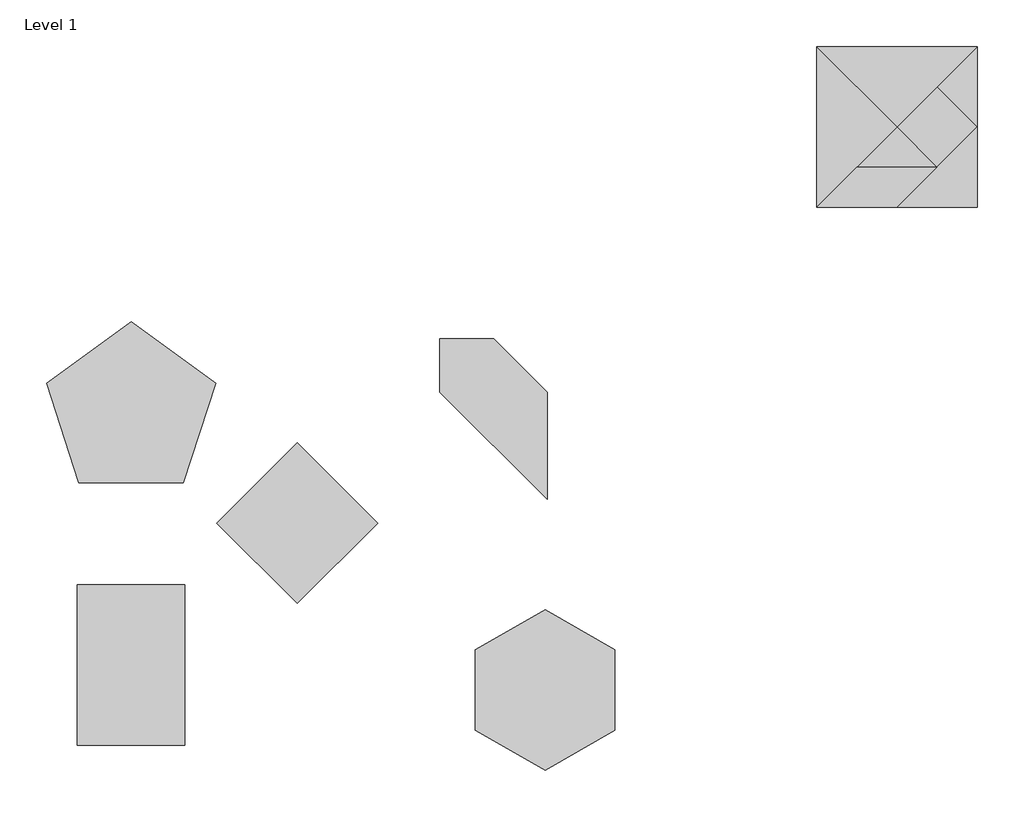
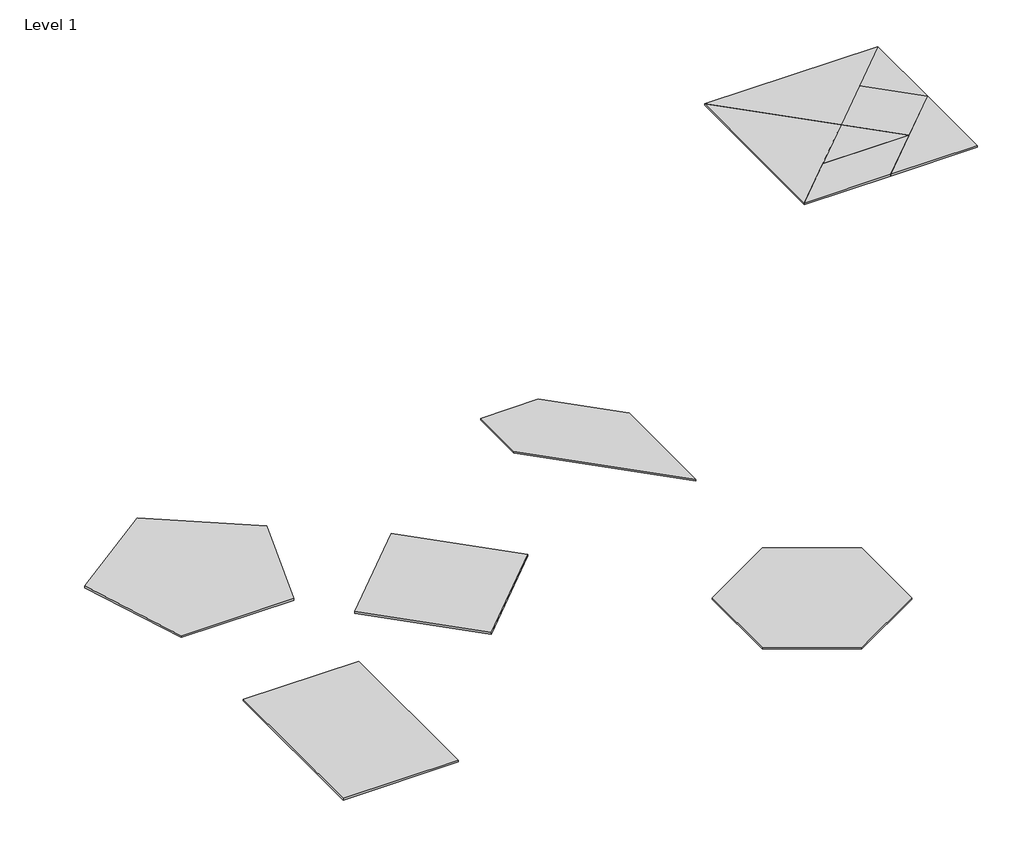
# One storey: 12 proxies.
"""IFC4 building model written with IfcOpenShell, lengths in millimetres."""

import ifcopenshell
import ifcopenshell.guid

model = None  # the IFC model being written
_history = None  # IfcOwnerHistory: only IFC2X3 demands one
_inside = {}  # id of a spatial element -> (the spatial element, [elements in it])
_under = {}  # id of a project, library or spatial element -> (it, [spatial elements below it])
_declared = {}  # id of a project -> (the project, [libraries it declares])
_typed = {}  # id of a type object -> (the type object, [elements of that type])
_made_of = {}  # id of a material, layer set ... -> (it, [elements and type objects made of it])


def new_model(schema):
    """Start an empty IFC model of exactly this schema.

    Asked for "IFC4X3", IfcOpenShell would pick the latest addendum, in which some entities
    have other attributes; the version numbers below select the first issue.
    IFC2X3 requires an IfcOwnerHistory on every rooted entity: one is made here for all.
    """
    global model, _history
    if schema == "IFC4X3":
        model = ifcopenshell.file(schema_version=(4, 3, 0, 0))
    else:
        model = ifcopenshell.file(schema=schema)
    _inside.clear()
    _under.clear()
    _declared.clear()
    _typed.clear()
    _made_of.clear()
    _history = None
    if model.schema == "IFC2X3":
        org = make("IfcOrganization", Name="unknown")
        user = make(
            "IfcPersonAndOrganization",
            ThePerson=make("IfcPerson", FamilyName="unknown"),
            TheOrganization=org,
        )
        app = make(
            "IfcApplication",
            ApplicationDeveloper=org,
            Version="unknown",
            ApplicationFullName="unknown",
            ApplicationIdentifier="unknown",
        )
        _history = make(
            "IfcOwnerHistory",
            OwningUser=user,
            OwningApplication=app,
            ChangeAction="ADDED",
            CreationDate=0,
        )
    return model


def make(cls, **values):
    """One entity of the class cls with the attributes given. An attribute that is None is left unset."""
    return model.create_entity(
        cls, **{name: value for name, value in values.items() if value is not None}
    )


def rooted(cls, **values):
    """An entity with a GlobalId (a new one), such as an element, a storey or a relation."""
    return make(cls, GlobalId=ifcopenshell.guid.new(), OwnerHistory=_history, **values)


def si_unit(unit_type, name, prefix=None):
    """IfcSIUnit, for example si_unit("LENGTHUNIT", "METRE", prefix="MILLI")."""
    return make("IfcSIUnit", UnitType=unit_type, Prefix=prefix, Name=name)


def assignment(units):
    """IfcUnitAssignment: the units of a project."""
    return None if units is None else make("IfcUnitAssignment", Units=units)


def point(xyz):
    """IfcCartesianPoint."""
    return None if xyz is None else make("IfcCartesianPoint", Coordinates=xyz)


def direction(xyz):
    """IfcDirection."""
    return None if xyz is None else make("IfcDirection", DirectionRatios=xyz)


def frame(location, z_axis=None, x_axis=None):
    """IfcAxis2Placement3D, a coordinate frame: its origin and axes. An axis left out is left unset."""
    return make(
        "IfcAxis2Placement3D",
        Location=point(location),
        Axis=direction(z_axis),
        RefDirection=direction(x_axis),
    )


def origin():
    """The frame at (0, 0, 0) with its axes left unset."""
    return frame((0.0, 0.0, 0.0))


def origin_with_axes():
    """The frame at (0, 0, 0) with the z axis (0, 0, 1) and the x axis (1, 0, 0) written out."""
    return frame((0.0, 0.0, 0.0), z_axis=(0.0, 0.0, 1.0), x_axis=(1.0, 0.0, 0.0))


def place(relative_to, where):
    """IfcLocalPlacement: puts the frame where relative to a parent placement (None: the world)."""
    return make(
        "IfcLocalPlacement", PlacementRelTo=relative_to, RelativePlacement=where
    )


def context(
    kind, dimensions, precision=None, world=None, true_north=None, identifier=None
):
    """IfcGeometricRepresentationContext, for example the 3D "Model" context."""
    return make(
        "IfcGeometricRepresentationContext",
        ContextIdentifier=identifier,
        ContextType=kind,
        CoordinateSpaceDimension=dimensions,
        Precision=precision,
        WorldCoordinateSystem=world,
        TrueNorth=true_north,
    )


def project(units=None, contexts=None):
    """IfcProject with its units and contexts."""
    return rooted(
        "IfcProject",
        Name="project",
        RepresentationContexts=contexts,
        UnitsInContext=assignment(units),
    )


def spatial(cls, under=None, at=None, **own):
    """A site, building, storey or space (cls), placed at a placement, below another one or the project."""
    s = rooted(cls, ObjectPlacement=at, **own)
    if under is not None:
        _under.setdefault(under.id(), (under, []))[1].append(s)
    return s


def polyline(points):
    """IfcPolyline through the points."""
    return make("IfcPolyline", Points=[point(p) for p in points])


def outline(outer, holes=None, kind="AREA"):
    """IfcArbitraryClosedProfileDef: a profile drawn as a closed curve; with holes, ...WithVoids."""
    if holes is None:
        return make("IfcArbitraryClosedProfileDef", ProfileType=kind, OuterCurve=outer)
    return make(
        "IfcArbitraryProfileDefWithVoids",
        ProfileType=kind,
        OuterCurve=outer,
        InnerCurves=holes,
    )


def extrude(swept, where, along, depth):
    """IfcExtrudedAreaSolid: the profile swept, set in the frame where, extruded along a direction by depth."""
    return make(
        "IfcExtrudedAreaSolid",
        SweptArea=swept,
        Position=where,
        ExtrudedDirection=direction(along),
        Depth=depth,
    )


def shape(context_of_items, identifier, shape_type, items):
    """IfcShapeRepresentation: the items that make up one representation, for example the "Body"."""
    return make(
        "IfcShapeRepresentation",
        ContextOfItems=context_of_items,
        RepresentationIdentifier=identifier,
        RepresentationType=shape_type,
        Items=items,
    )


def source(mapping_origin, context_of_items, identifier, shape_type, items):
    """IfcRepresentationMap: a shape defined once, which mapped items show again and again."""
    return make(
        "IfcRepresentationMap",
        MappingOrigin=mapping_origin,
        MappedRepresentation=shape(context_of_items, identifier, shape_type, items),
    )


def transform(
    local_origin,
    x_axis=None,
    y_axis=None,
    z_axis=None,
    scale=None,
    scale2=None,
    scale3=None,
    uniform=True,
):
    """IfcCartesianTransformationOperator3D, or its non-uniform kind. x_axis, y_axis, z_axis: its Axis1, 2, 3."""
    if uniform:
        return make(
            "IfcCartesianTransformationOperator3D",
            Axis1=direction(x_axis),
            Axis2=direction(y_axis),
            LocalOrigin=point(local_origin),
            Scale=scale,
            Axis3=direction(z_axis),
        )
    return make(
        "IfcCartesianTransformationOperator3DnonUniform",
        Axis1=direction(x_axis),
        Axis2=direction(y_axis),
        LocalOrigin=point(local_origin),
        Scale=scale,
        Axis3=direction(z_axis),
        Scale2=scale2,
        Scale3=scale3,
    )


def mapped(mapping_source, mapping_target):
    """IfcMappedItem: shows the shape of a source again, moved by a transform."""
    return make(
        "IfcMappedItem", MappingSource=mapping_source, MappingTarget=mapping_target
    )


def made_of(thing, what):
    """Note that an element or type object is made of a material, layer set ...; save() writes the relation."""
    if what is not None:
        _made_of.setdefault(what.id(), (what, []))[1].append(thing)
    return thing


def element(
    cls,
    number,
    at=None,
    inside=None,
    cuts=None,
    type_object=None,
    material=None,
    context=None,
    identifier="Body",
    shape_type=None,
    held_by="IfcProductDefinitionShape",
    body=None,
    shapes=None,
    **own,
):
    """One element of the class cls, such as IfcWall. Its Tag is "e" and its number.

    at: its placement. inside: the storey or other place that contains it. cuts: it is an
    opening in that element (IfcRelVoidsElement). A single representation is given by context,
    identifier, shape_type and body (its items); several are given by shapes. held_by: the class
    of the entity that holds the representations. save() writes the other relations.
    """
    e = rooted(cls, Tag="e%d" % number, ObjectPlacement=at, **own)
    if body is not None:
        shapes = [shape(context, identifier, shape_type, body)]
    if shapes is not None:
        e.Representation = make(held_by, Representations=shapes)
    if inside is not None:
        _inside.setdefault(inside.id(), (inside, []))[1].append(e)
    if cuts is not None:
        rooted(
            "IfcRelVoidsElement", RelatingBuildingElement=cuts, RelatedOpeningElement=e
        )
    if type_object is not None:
        _typed.setdefault(type_object.id(), (type_object, []))[1].append(e)
    return made_of(e, material)


def aggregate(whole, parts):
    """IfcRelAggregates: a whole, such as a stair, and the parts it consists of."""
    return rooted("IfcRelAggregates", RelatingObject=whole, RelatedObjects=parts)


def save(model, path):
    """Write the relations noted so far, then the file.

    IfcRelAggregates (storeys below a building ...), IfcRelContainedInSpatialStructure (elements
    in a storey), IfcRelDefinesByType, IfcRelAssociatesMaterial and IfcRelDeclares: one each for
    every whole, place, type object, material and project.
    """
    for whole, parts in _under.values():
        aggregate(whole, parts)
    for where, things in _inside.values():
        rooted(
            "IfcRelContainedInSpatialStructure",
            RelatedElements=things,
            RelatingStructure=where,
        )
    for kind, things in _typed.values():
        rooted("IfcRelDefinesByType", RelatedObjects=things, RelatingType=kind)
    for what, things in _made_of.values():
        rooted("IfcRelAssociatesMaterial", RelatedObjects=things, RelatingMaterial=what)
    for by, libraries in _declared.values():
        rooted("IfcRelDeclares", RelatingContext=by, RelatedDefinitions=libraries)
    model.write(path)


def tile_ed20f17e(model_context):
    return source(origin(), model_context, "Body", "SweptSolid", [
        extrude(outline(polyline([(0.0, 0.0), (-300.0, 300.0), (300.0, 300.0), (0.0, 0.0)])), origin_with_axes(), (0.0, 0.0, 1.0), 6.0),
    ])


def tile_fe8f3e57(model_context):
    return source(origin(), model_context, "Body", "SweptSolid", [
        extrude(outline(polyline([(150.0, 150.0), (300.0, 300.0), (300.0, 0.0), (150.0, 150.0)])), origin_with_axes(), (0.0, 0.0, 1.0), 6.0),
    ])


def tile_a7d3899f(model_context):
    return source(origin(), model_context, "Body", "SweptSolid", [
        extrude(outline(polyline([(300.0, -300.0), (0.0, -300.0), (300.0, 0.0), (300.0, -300.0)])), origin_with_axes(), (0.0, 0.0, 1.0), 6.0),
    ])


def tile_e4fe5941(model_context):
    return source(origin(), model_context, "Body", "SweptSolid", [
        extrude(outline(polyline([(0.0, -300.0), (-300.0, -300.0), (-150.0, -150.0), (150.0, -150.0), (0.0, -300.0)])), origin_with_axes(), (0.0, 0.0, 1.0), 6.0),
    ])


def tile_132af75c(model_context):
    return source(origin(), model_context, "Body", "SweptSolid", [
        extrude(outline(polyline([(0.0, 0.0), (-300.0, -300.0), (-300.0, 300.0), (0.0, 0.0)])), origin_with_axes(), (0.0, 0.0, 1.0), 6.0),
    ])


def tile_7e7d5095(model_context):
    return source(origin(), model_context, "Body", "SweptSolid", [
        extrude(outline(polyline([(150.0, -150.0), (0.0, 0.0), (150.0, 150.0), (300.0, 0.0), (150.0, -150.0)])), origin_with_axes(), (0.0, 0.0, 1.0), 6.0),
    ])


def tile_8bc390ec(model_context):
    return source(origin(), model_context, "Body", "SweptSolid", [
        extrude(outline(polyline([(0.0, 0.0), (150.0, -150.0), (-150.0, -150.0), (0.0, 0.0)])), origin_with_axes(), (0.0, 0.0, 1.0), 6.0),
    ])


def tile_diamond_8ff12cb0(model_context):
    return source(origin(), model_context, "Body", "SweptSolid", [
        extrude(outline(polyline([(-300.0, 0.0), (0.0, 300.0), (300.0, 0.0), (0.0, -300.0), (-300.0, 0.0)])), origin_with_axes(), (0.0, 0.0, 1.0), 6.0),
    ])


def tile_hexagon_d4d4d8c1(model_context):
    return source(origin(), model_context, "Body", "SweptSolid", [
        extrude(outline(polyline([(-259.8076211, 150.0), (0.0, 300.0), (259.8076211, 150.0), (259.8076211, -150.0), (0.0, -300.0), (-259.8076211, -150.0), (-259.8076211, 150.0)])), origin_with_axes(), (0.0, 0.0, 1.0), 6.0),
    ])


def tile_odd_48173d42(model_context):
    return source(origin(), model_context, "Body", "SweptSolid", [
        extrude(outline(polyline([(-200.0, 100.0), (-200.0, 300.0), (0.0, 300.0), (200.0, 100.0), (200.0, -300.0), (-200.0, 100.0)])), origin_with_axes(), (0.0, 0.0, 1.0), 6.0),
    ])


def tile_pentagon_e6236810(model_context):
    return source(origin(), model_context, "Body", "SweptSolid", [
        extrude(outline(polyline([(-315.4386673, 70.8203932), (0.0, 300.0), (315.4386673, 70.8203932), (194.9518177, -300.0), (-194.9518177, -300.0), (-315.4386673, 70.8203932)])), origin_with_axes(), (0.0, 0.0, 1.0), 6.0),
    ])


def tile_rectangle_400x600mm_2a1b1936(model_context):
    return source(origin(), model_context, "Body", "SweptSolid", [
        extrude(outline(polyline([(200.0, 300.0), (200.0, -300.0), (-200.0, -300.0), (-200.0, 300.0), (200.0, 300.0)])), origin_with_axes(), (0.0, 0.0, 1.0), 6.0),
    ])


model = new_model("IFC4")

# Units and contexts
model_context = context("Model", 3, world=origin())
ifc_project = project(units=[si_unit("LENGTHUNIT", "METRE", prefix="MILLI")], contexts=[model_context])

# Site, building, storey
site = spatial("IfcSite", under=ifc_project)
building = spatial("IfcBuilding", under=site)
storey = spatial("IfcBuildingStorey", under=building, Name="Level 1", Elevation=0.0)

# Proxies
placement = place(None, origin())
tile_shape = tile_ed20f17e(model_context)
element("IfcBuildingElementProxy", 1, Name="Tile", ObjectType="Tile", at=placement, inside=storey, context=model_context, shape_type="MappedRepresentation", body=[
    mapped(tile_shape, transform((4111.169022, 4269.7429392, 0.0), x_axis=(1.0, 0.0, 0.0), y_axis=(0.0, 1.0, 0.0), z_axis=(0.0, 0.0, 1.0))),
])
tile_2_shape = tile_fe8f3e57(model_context)
element("IfcBuildingElementProxy", 2, Name="Tile", ObjectType="Tile", at=placement, inside=storey, context=model_context, shape_type="MappedRepresentation", body=[
    mapped(tile_2_shape, transform((4111.169022, 4269.7429392, 0.0), x_axis=(1.0, 0.0, 0.0), y_axis=(0.0, 1.0, 0.0), z_axis=(0.0, 0.0, 1.0))),
])
tile_3_shape = tile_a7d3899f(model_context)
element("IfcBuildingElementProxy", 3, Name="Tile", ObjectType="Tile", at=placement, inside=storey, context=model_context, shape_type="MappedRepresentation", body=[
    mapped(tile_3_shape, transform((4111.169022, 4269.7429392, 0.0), x_axis=(1.0, 0.0, 0.0), y_axis=(0.0, 1.0, 0.0), z_axis=(0.0, 0.0, 1.0))),
])
tile_4_shape = tile_e4fe5941(model_context)
element("IfcBuildingElementProxy", 4, Name="Tile", ObjectType="Tile", at=placement, inside=storey, context=model_context, shape_type="MappedRepresentation", body=[
    mapped(tile_4_shape, transform((4111.169022, 4269.7429392, 0.0), x_axis=(1.0, 0.0, 0.0), y_axis=(0.0, 1.0, 0.0), z_axis=(0.0, 0.0, 1.0))),
])
tile_5_shape = tile_132af75c(model_context)
element("IfcBuildingElementProxy", 5, Name="Tile", ObjectType="Tile", at=placement, inside=storey, context=model_context, shape_type="MappedRepresentation", body=[
    mapped(tile_5_shape, transform((4111.169022, 4269.7429392, 0.0), x_axis=(1.0, 0.0, 0.0), y_axis=(0.0, 1.0, 0.0), z_axis=(0.0, 0.0, 1.0))),
])
tile_6_shape = tile_7e7d5095(model_context)
element("IfcBuildingElementProxy", 6, Name="Tile", ObjectType="Tile", at=placement, inside=storey, context=model_context, shape_type="MappedRepresentation", body=[
    mapped(tile_6_shape, transform((4111.169022, 4269.7429392, 0.0), x_axis=(1.0, 0.0, 0.0), y_axis=(0.0, 1.0, 0.0), z_axis=(0.0, 0.0, 1.0))),
])
tile_7_shape = tile_8bc390ec(model_context)
element("IfcBuildingElementProxy", 7, Name="Tile", ObjectType="Tile", at=placement, inside=storey, context=model_context, shape_type="MappedRepresentation", body=[
    mapped(tile_7_shape, transform((4111.169022, 4269.7429392, 0.0), x_axis=(1.0, 0.0, 0.0), y_axis=(0.0, 1.0, 0.0), z_axis=(0.0, 0.0, 1.0))),
])
tile_diamond_shape = tile_diamond_8ff12cb0(model_context)
element("IfcBuildingElementProxy", 8, Name="Tile : Diamond", ObjectType="Tile : Diamond", at=placement, inside=storey, context=model_context, shape_type="MappedRepresentation", body=[
    mapped(tile_diamond_shape, transform((1871.073631, 2790.600705, 0.0), x_axis=(1.0, 0.0, 0.0), y_axis=(0.0, 1.0, 0.0), z_axis=(0.0, 0.0, 1.0))),
])
tile_hexagon_shape = tile_hexagon_d4d4d8c1(model_context)
element("IfcBuildingElementProxy", 9, Name="Tile : Hexagon", ObjectType="Tile : Hexagon", at=placement, inside=storey, context=model_context, shape_type="MappedRepresentation", body=[
    mapped(tile_hexagon_shape, transform((2796.4298813, 2167.1615364, 0.0), x_axis=(1.0, 0.0, 0.0), y_axis=(0.0, 1.0, 0.0), z_axis=(0.0, 0.0, 1.0))),
])
tile_odd_shape = tile_odd_48173d42(model_context)
element("IfcBuildingElementProxy", 10, Name="Tile : Odd", ObjectType="Tile : Odd", at=placement, inside=storey, context=model_context, shape_type="MappedRepresentation", body=[
    mapped(tile_odd_shape, transform((2604.3008293, 3178.77981, 0.0), x_axis=(1.0, 0.0, 0.0), y_axis=(0.0, 1.0, 0.0), z_axis=(0.0, 0.0, 1.0))),
])
tile_pentagon_shape = tile_pentagon_e6236810(model_context)
element("IfcBuildingElementProxy", 11, Name="Tile : Pentagon", ObjectType="Tile : Pentagon", at=placement, inside=storey, context=model_context, shape_type="MappedRepresentation", body=[
    mapped(tile_pentagon_shape, transform((1250.6234414, 3241.515827, 0.0), x_axis=(1.0, 0.0, 0.0), y_axis=(0.0, 1.0, 0.0), z_axis=(0.0, 0.0, 1.0))),
])
tile_rectangle_400x600mm_shape = tile_rectangle_400x600mm_2a1b1936(model_context)
element("IfcBuildingElementProxy", 12, Name="Tile : Rectangle 400x600mm", ObjectType="Tile : Rectangle 400x600mm", at=placement, inside=storey, context=model_context, shape_type="MappedRepresentation", body=[
    mapped(tile_rectangle_400x600mm_shape, transform((1250.6234414, 2259.9750623, 0.0), x_axis=(1.0, 0.0, 0.0), y_axis=(0.0, 1.0, 0.0), z_axis=(0.0, 0.0, 1.0))),
])

save(model, "model.ifc")
